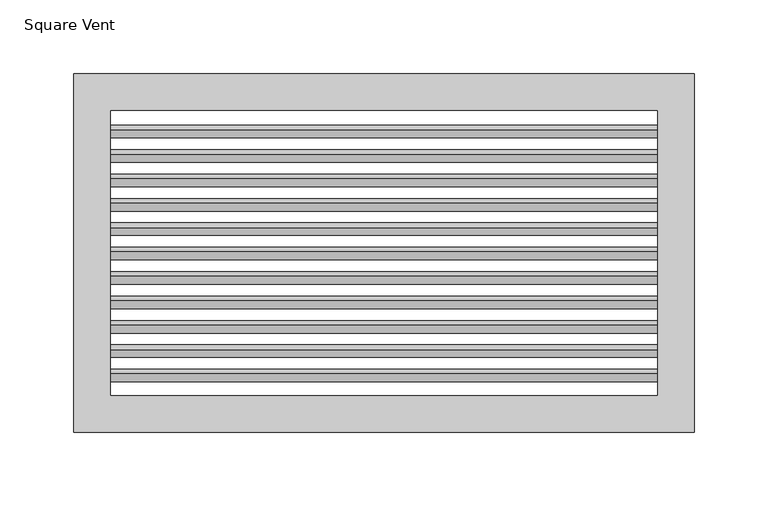
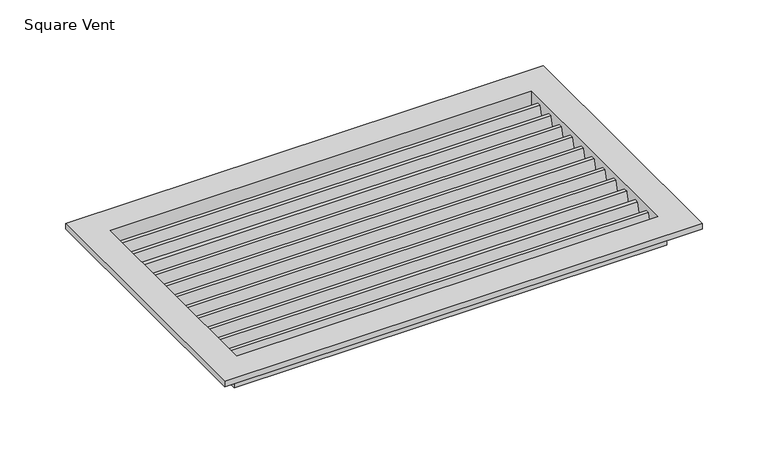
"""IFC4 building model written with IfcOpenShell, lengths in millimetres: air terminal geometry, Square Vent."""

from ifc_helpers import new_model, si_unit, frame, origin, place, context, project, spatial, polyline, outline, extrude, faceted_brep, source, transform, mapped, element, save


def square_vent_2db2d19f(model_context):
    return source(origin(), model_context, "Body", "SolidModel", [
        extrude(outline(polyline([(83.4632939, 0.0), (86.5882939, 0.0), (81.22931, -20.0), (78.10431, -20.0), (83.4632939, 0.0)])), frame((-185.5, 0.0, 0.0), z_axis=(1.0, 0.0, 0.0), x_axis=(0.0, 1.0, 0.0)), (0.0, 0.0, 1.0), 371.0),
        extrude(outline(polyline([(70.0370008, 0.0), (64.678017, -20.0), (61.553017, -20.0), (66.9120008, 0.0), (70.0370008, 0.0)])), frame((-185.5, 0.0, 0.0), z_axis=(1.0, 0.0, 0.0), x_axis=(0.0, 1.0, 0.0)), (0.0, 0.0, 1.0), 371.0),
        extrude(outline(polyline([(53.4857077, 0.0), (48.1267239, -20.0), (45.0017239, -20.0), (50.3607077, 0.0), (53.4857077, 0.0)])), frame((-185.5, 0.0, 0.0), z_axis=(1.0, 0.0, 0.0), x_axis=(0.0, 1.0, 0.0)), (0.0, 0.0, 1.0), 371.0),
        extrude(outline(polyline([(36.9344146, 0.0), (31.5754308, -20.0), (28.4504308, -20.0), (33.8094146, 0.0), (36.9344146, 0.0)])), frame((-185.5, 0.0, 0.0), z_axis=(1.0, 0.0, 0.0), x_axis=(0.0, 1.0, 0.0)), (0.0, 0.0, 1.0), 371.0),
        extrude(outline(polyline([(20.3831216, 0.0), (15.0241377, -20.0), (11.8991377, -20.0), (17.2581216, 0.0), (20.3831216, 0.0)])), frame((-185.5, 0.0, 0.0), z_axis=(1.0, 0.0, 0.0), x_axis=(0.0, 1.0, 0.0)), (0.0, 0.0, 1.0), 371.0),
        extrude(outline(polyline([(3.8318285, 0.0), (-1.5271554, -20.0), (-4.6521554, -20.0), (0.7068285, 0.0), (3.8318285, 0.0)])), frame((-185.5, 0.0, 0.0), z_axis=(1.0, 0.0, 0.0), x_axis=(0.0, 1.0, 0.0)), (0.0, 0.0, 1.0), 371.0),
        extrude(outline(polyline([(-12.7194646, 0.0), (-18.0784484, -20.0), (-21.2034484, -20.0), (-15.8444646, 0.0), (-12.7194646, 0.0)])), frame((-185.5, 0.0, 0.0), z_axis=(1.0, 0.0, 0.0), x_axis=(0.0, 1.0, 0.0)), (0.0, 0.0, 1.0), 371.0),
        extrude(outline(polyline([(-29.2707577, 0.0), (-34.6297415, -20.0), (-37.7547415, -20.0), (-32.3957577, 0.0), (-29.2707577, 0.0)])), frame((-185.5, 0.0, 0.0), z_axis=(1.0, 0.0, 0.0), x_axis=(0.0, 1.0, 0.0)), (0.0, 0.0, 1.0), 371.0),
        extrude(outline(polyline([(-45.8220508, 0.0), (-51.1810346, -20.0), (-54.3060346, -20.0), (-48.9470508, 0.0), (-45.8220508, 0.0)])), frame((-185.5, 0.0, 0.0), z_axis=(1.0, 0.0, 0.0), x_axis=(0.0, 1.0, 0.0)), (0.0, 0.0, 1.0), 371.0),
        extrude(outline(polyline([(-62.3733438, 0.0), (-67.7323277, -20.0), (-70.8573277, -20.0), (-65.4983438, 0.0), (-62.3733438, 0.0)])), frame((-185.5, 0.0, 0.0), z_axis=(1.0, 0.0, 0.0), x_axis=(0.0, 1.0, 0.0)), (0.0, 0.0, 1.0), 371.0),
        extrude(outline(polyline([(-78.9246369, 0.0), (-84.2836208, -20.0), (-87.4086208, -20.0), (-82.0496369, 0.0), (-78.9246369, 0.0)])), frame((-185.5, 0.0, 0.0), z_axis=(1.0, 0.0, 0.0), x_axis=(0.0, 1.0, 0.0)), (0.0, 0.0, 1.0), 371.0),
        faceted_brep([(190.5, 101.6, -20.0), (-190.5, 101.6, -20.0), (-190.5, 101.6, 0.0), (190.5, 101.6, 0.0), (185.5, 96.6, 5.0), (-185.5, 96.6, 5.0), (-185.5, 96.6, -20.0), (185.5, 96.6, -20.0), (210.5, 121.6, 0.0), (-210.5, 121.6, 0.0), (-210.5, 121.6, 5.0), (210.5, 121.6, 5.0), (-190.5, -101.6, -20.0), (-190.5, -101.6, 0.0), (-185.5, -96.6, 5.0), (-185.5, -96.6, -20.0), (-210.5, -121.6, 0.0), (-210.5, -121.6, 5.0), (190.5, -101.6, -20.0), (190.5, -101.6, 0.0), (185.5, -96.6, 5.0), (185.5, -96.6, -20.0), (210.5, -121.6, 0.0), (210.5, -121.6, 5.0)], [[[0, 1, 2, 3]], [[4, 5, 6, 7]], [[8, 9, 10, 11]], [[1, 12, 13, 2]], [[5, 14, 15, 6]], [[9, 16, 17, 10]], [[12, 18, 19, 13]], [[14, 20, 21, 15]], [[16, 22, 23, 17]], [[9, 8, 22, 16], [3, 2, 13, 19]], [[18, 0, 3, 19]], [[1, 0, 18, 12], [7, 6, 15, 21]], [[20, 4, 7, 21]], [[11, 10, 17, 23], [5, 4, 20, 14]], [[22, 8, 11, 23]]]),
    ])


if __name__ == "__main__":
    model = new_model("IFC4")
    model_context = context("Model", 3, world=origin())
    ifc_project = project(units=[si_unit("LENGTHUNIT", "METRE", prefix="MILLI")], contexts=[model_context])
    site = spatial("IfcSite", under=ifc_project)
    building = spatial("IfcBuilding", under=site)
    placement = place(None, origin())
    square_vent_shape = square_vent_2db2d19f(model_context)
    element("IfcAirTerminal", 1, ObjectType="Square Vent", at=placement, inside=building, context=model_context, shape_type="MappedRepresentation", body=[
        mapped(square_vent_shape, transform((0.0, 0.0, 0.0), x_axis=(1.0, 0.0, 0.0), y_axis=(0.0, 1.0, 0.0), z_axis=(0.0, 0.0, 1.0))),
    ])
    save(model, "model.ifc")
